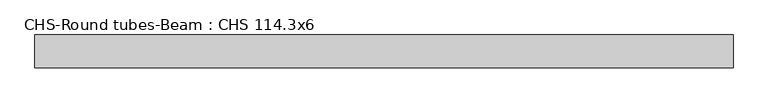
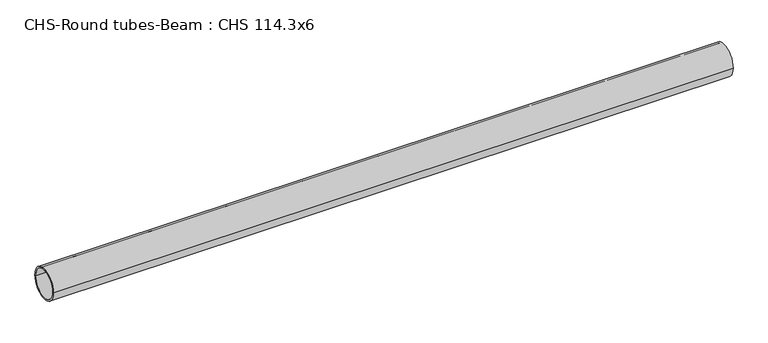
"""IFC4 building model written with IfcOpenShell, lengths in millimetres: beam geometry, CHS-Round tubes-Beam : CHS 114.3x6."""

from ifc_helpers import new_model, si_unit, point, frame, origin, origin_2d, place, context, project, spatial, circle_curve, trimmed, segment, composite_curve, outline, extrude, source, transform, mapped, element, save


def chs_round_tubes_beam_chs_114_3x6_f4993839(model_context):
    return source(origin(), model_context, "Body", "SweptSolid", [
        extrude(outline(composite_curve([segment(trimmed(circle_curve(origin_2d(), 57.15), [point((57.15, 0.0))], [point((-57.15, 0.0))], False, "CARTESIAN"), True, "CONTINUOUS"), segment(trimmed(circle_curve(origin_2d(), 57.15), [point((-57.15, 0.0))], [point((57.15, 0.0))], False, "CARTESIAN"), True, "CONTINUOUS")], self_intersect=False), holes=[composite_curve([segment(trimmed(circle_curve(origin_2d(), 51.15), [point((51.15, 0.0))], [point((-51.15, 0.0))], True, "CARTESIAN"), True, "CONTINUOUS"), segment(trimmed(circle_curve(origin_2d(), 51.15), [point((-51.15, 0.0))], [point((51.15, 0.0))], True, "CARTESIAN"), True, "CONTINUOUS")], self_intersect=False)]), frame((-1187.2636194, 0.0, 0.0), z_axis=(1.0, 0.0, 0.0), x_axis=(0.0, 1.0, 0.0)), (0.0, 0.0, 1.0), 2439.5533032),
    ])


if __name__ == "__main__":
    model = new_model("IFC4")
    model_context = context("Model", 3, world=origin())
    ifc_project = project(units=[si_unit("LENGTHUNIT", "METRE", prefix="MILLI")], contexts=[model_context])
    site = spatial("IfcSite", under=ifc_project)
    building = spatial("IfcBuilding", under=site)
    placement = place(None, origin())
    chs_round_tubes_beam_chs_114_3x6_shape = chs_round_tubes_beam_chs_114_3x6_f4993839(model_context)
    element("IfcBeam", 1, ObjectType="CHS-Round tubes-Beam : CHS 114.3x6", at=placement, inside=building, context=model_context, shape_type="MappedRepresentation", body=[
        mapped(chs_round_tubes_beam_chs_114_3x6_shape, transform((0.0, 0.0, 0.0), x_axis=(1.0, 0.0, 0.0), y_axis=(0.0, 1.0, 0.0), z_axis=(0.0, 0.0, 1.0))),
    ])
    save(model, "model.ifc")
